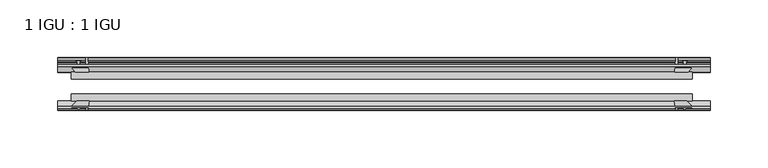
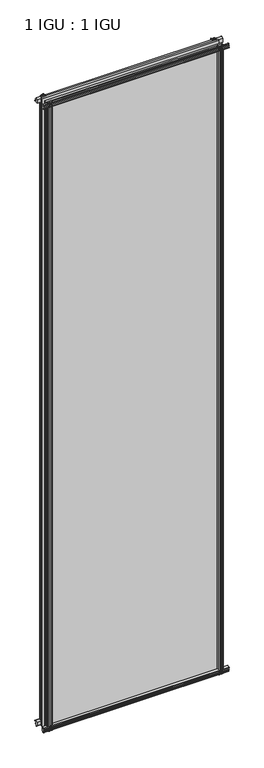
"""IFC4 building model written with IfcOpenShell, lengths in millimetres: plate geometry, 1 IGU : 1 IGU."""

from ifc_helpers import new_model, si_unit, point, frame, frame_2d, origin, place, context, project, spatial, polyline, circle_curve, trimmed, segment, composite_curve, outline, extrude, source, transform, mapped, element, save


def plate_1_igu_1_igu_4167311c(model_context):
    return source(origin(), model_context, "Body", "SweptSolid", [
        extrude(outline(composite_curve([segment(polyline([(-57.0900403, 1.731044), (-50.00625, 3.0983599), (-50.00625, -7.92383), (-54.1882244, -12.1058044)]), True, "CONTINUOUS"), segment(trimmed(circle_curve(frame_2d((-55.08625, -11.2077788)), 1.27), [point((-54.1882244, -12.1058044))], [point((-56.35625, -11.2077788))], False, "CARTESIAN"), True, "CONTINUOUS"), segment(polyline([(-56.35625, -11.2077788), (-56.35625, -8.0327788), (-57.835546, -5.4488186), (-56.35625, -5.1879788), (-56.35625, 0.2222212), (-57.65913, 0.0383748)]), True, "CONTINUOUS"), segment(trimmed(circle_curve(frame_2d((-56.9150839, 0.7302212)), 1.016), [point((-57.65913, 0.0383748))], [point((-57.0900403, 1.731044))], False, "CARTESIAN"), True, "CONTINUOUS")], self_intersect=False)), frame((-281.6987, 0.0, 0.0), z_axis=(1.0, 0.0, 0.0), x_axis=(0.0, 1.0, 0.0)), (0.0, 0.0, 1.0), 567.436),
        extrude(outline(composite_curve([segment(polyline([(-24.60625, 2.5763839), (-12.8423053, 1.6478499)]), True, "CONTINUOUS"), segment(trimmed(circle_curve(frame_2d((-12.92225, 0.635)), 1.016), [point((-12.8423053, 1.6478499))], [point((-12.1291353, 0.0))], False, "CARTESIAN"), True, "CONTINUOUS"), segment(polyline([(-12.1291353, 0.0), (-18.25625, 0.0), (-18.25625, -4.953), (-15.9568457, -5.5691235), (-16.3325195, -4.1670901), (-15.4738114, -3.937), (-14.82725, -6.35), (-15.4738114, -8.763), (-16.3325195, -8.5329099), (-15.9568457, -7.1308765), (-18.25625, -7.747), (-18.25625, -12.7), (-20.28825, -12.7), (-24.60625, -9.1036931), (-24.60625, 2.5763839)]), True, "CONTINUOUS")], self_intersect=False)), frame((-281.6987, 0.0, 0.0), z_axis=(1.0, 0.0, 0.0), x_axis=(0.0, 1.0, 0.0)), (0.0, 0.0, 1.0), 567.436),
        extrude(outline(composite_curve([segment(polyline([(-20.28825, 2019.3), (-18.25625, 2019.3), (-18.25625, 2014.347), (-15.9568457, 2013.7308765), (-16.3325195, 2015.1329099), (-15.4738114, 2015.363), (-14.82725, 2012.95), (-15.4738114, 2010.537), (-16.3325195, 2010.7670901), (-15.9568457, 2012.1691235), (-18.25625, 2011.553), (-18.25625, 2006.6), (-12.1291353, 2006.6)]), True, "CONTINUOUS"), segment(trimmed(circle_curve(frame_2d((-12.92225, 2005.965)), 1.016), [point((-12.1291353, 2006.6))], [point((-12.8423053, 2004.9521501))], False, "CARTESIAN"), True, "CONTINUOUS"), segment(polyline([(-12.8423053, 2004.9521501), (-24.60625, 2004.0236161), (-24.60625, 2015.7036931), (-20.28825, 2019.3)]), True, "CONTINUOUS")], self_intersect=False)), frame((-281.6987, 0.0, 0.0), z_axis=(1.0, 0.0, 0.0), x_axis=(0.0, 1.0, 0.0)), (0.0, 0.0, 1.0), 567.436),
        extrude(outline(composite_curve([segment(trimmed(circle_curve(frame_2d((-56.9150839, 2005.8697788)), 1.016), [point((-57.0900403, 2004.868956))], [point((-57.65913, 2006.5616252))], False, "CARTESIAN"), True, "CONTINUOUS"), segment(polyline([(-57.65913, 2006.5616252), (-56.35625, 2006.3777788), (-56.35625, 2011.7879788), (-57.835546, 2012.0488186), (-56.35625, 2014.6327788), (-56.35625, 2017.8077788)]), True, "CONTINUOUS"), segment(trimmed(circle_curve(frame_2d((-55.08625, 2017.8077788)), 1.27), [point((-56.35625, 2017.8077788))], [point((-54.1882244, 2018.7058044))], False, "CARTESIAN"), True, "CONTINUOUS"), segment(polyline([(-54.1882244, 2018.7058044), (-50.00625, 2014.52383), (-50.00625, 2003.5016401), (-57.0900403, 2004.868956)]), True, "CONTINUOUS")], self_intersect=False)), frame((-281.6987, 0.0, 0.0), z_axis=(1.0, 0.0, 0.0), x_axis=(0.0, 1.0, 0.0)), (0.0, 0.0, 1.0), 567.436),
        extrude(outline(composite_curve([segment(polyline([(254.5859161, -24.60625), (255.5144501, -12.8423053)]), True, "CONTINUOUS"), segment(trimmed(circle_curve(frame_2d((256.5273, -12.92225)), 1.016), [point((255.5144501, -12.8423053))], [point((257.1623, -12.1291353))], False, "CARTESIAN"), True, "CONTINUOUS"), segment(polyline([(257.1623, -12.1291353), (257.1623, -18.25625), (262.1153, -18.25625), (262.7314235, -15.9568457), (261.3293901, -16.3325195), (261.0993, -15.4738114), (263.5123, -14.82725), (265.9253, -15.4738114), (265.6952099, -16.3325195), (264.2931765, -15.9568457), (264.9093, -18.25625), (269.8623, -18.25625), (269.8623, -20.28825), (266.2659931, -24.60625), (254.5859161, -24.60625)]), True, "CONTINUOUS")], self_intersect=False)), frame((0.0, 0.0, -12.7), z_axis=(0.0, 0.0, 1.0), x_axis=(1.0, 0.0, 0.0)), (0.0, 0.0, 1.0), 2032.0),
        extrude(outline(composite_curve([segment(polyline([(262.3502788, -56.35625), (256.9400788, -56.35625), (257.1239252, -57.65913)]), True, "CONTINUOUS"), segment(trimmed(circle_curve(frame_2d((256.4320788, -56.9150839)), 1.016), [point((257.1239252, -57.65913))], [point((255.431256, -57.0900403))], False, "CARTESIAN"), True, "CONTINUOUS"), segment(polyline([(255.431256, -57.0900403), (254.0639401, -50.00625), (265.08613, -50.00625), (269.2681044, -54.1882244)]), True, "CONTINUOUS"), segment(trimmed(circle_curve(frame_2d((268.3700788, -55.08625)), 1.27), [point((269.2681044, -54.1882244))], [point((268.3700788, -56.35625))], False, "CARTESIAN"), True, "CONTINUOUS"), segment(polyline([(268.3700788, -56.35625), (265.1950788, -56.35625), (262.6111186, -57.835546), (262.3502788, -56.35625)]), True, "CONTINUOUS")], self_intersect=False)), frame((0.0, 0.0, -12.7), z_axis=(0.0, 0.0, 1.0), x_axis=(1.0, 0.0, 0.0)), (0.0, 0.0, 1.0), 2032.0),
        extrude(outline(composite_curve([segment(polyline([(-254.5859161, -24.60625), (-266.2659931, -24.60625), (-269.8623, -20.28825), (-269.8623, -18.25625), (-264.9093, -18.25625), (-264.2931765, -15.9568457), (-265.6952099, -16.3325195), (-265.9253, -15.4738114), (-263.5123, -14.82725), (-261.0993, -15.4738114), (-261.3293901, -16.3325195), (-262.7314235, -15.9568457), (-262.1153, -18.25625), (-257.1623, -18.25625), (-257.1623, -12.1291353)]), True, "CONTINUOUS"), segment(trimmed(circle_curve(frame_2d((-256.5273, -12.92225)), 1.016), [point((-257.1623, -12.1291353))], [point((-255.5144501, -12.8423053))], False, "CARTESIAN"), True, "CONTINUOUS"), segment(polyline([(-255.5144501, -12.8423053), (-254.5859161, -24.60625)]), True, "CONTINUOUS")], self_intersect=False)), frame((0.0, 0.0, -12.7), z_axis=(0.0, 0.0, 1.0), x_axis=(1.0, 0.0, 0.0)), (0.0, 0.0, 1.0), 2032.0),
        extrude(outline(composite_curve([segment(polyline([(-254.0639401, -50.00625), (-255.431256, -57.0900403)]), True, "CONTINUOUS"), segment(trimmed(circle_curve(frame_2d((-256.4320788, -56.9150839)), 1.016), [point((-255.431256, -57.0900403))], [point((-257.1239252, -57.65913))], False, "CARTESIAN"), True, "CONTINUOUS"), segment(polyline([(-257.1239252, -57.65913), (-256.9400788, -56.35625), (-262.3502788, -56.35625), (-262.6111186, -57.835546), (-265.1950788, -56.35625), (-268.3700788, -56.35625)]), True, "CONTINUOUS"), segment(trimmed(circle_curve(frame_2d((-268.3700788, -55.08625)), 1.27), [point((-268.3700788, -56.35625))], [point((-269.2681044, -54.1882244))], False, "CARTESIAN"), True, "CONTINUOUS"), segment(polyline([(-269.2681044, -54.1882244), (-265.08613, -50.00625), (-254.0639401, -50.00625)]), True, "CONTINUOUS")], self_intersect=False)), frame((0.0, 0.0, -12.7), z_axis=(0.0, 0.0, 1.0), x_axis=(1.0, 0.0, 0.0)), (0.0, 0.0, 1.0), 2032.0),
        extrude(outline(polyline([(-269.8623, -24.60625), (269.8623, -24.60625), (269.8623, -30.95625), (-269.8623, -30.95625), (-269.8623, -24.60625)])), frame((0.0, 0.0, -12.7), z_axis=(0.0, 0.0, 1.0), x_axis=(1.0, 0.0, 0.0)), (0.0, 0.0, 1.0), 2032.0),
        extrude(outline(polyline([(269.8623, -43.65625), (269.8623, -50.00625), (-269.8623, -50.00625), (-269.8623, -43.65625), (269.8623, -43.65625)])), frame((0.0, 0.0, -12.7), z_axis=(0.0, 0.0, 1.0), x_axis=(1.0, 0.0, 0.0)), (0.0, 0.0, 1.0), 2032.0),
    ])


if __name__ == "__main__":
    model = new_model("IFC4")
    model_context = context("Model", 3, world=origin())
    ifc_project = project(units=[si_unit("LENGTHUNIT", "METRE", prefix="MILLI")], contexts=[model_context])
    site = spatial("IfcSite", under=ifc_project)
    building = spatial("IfcBuilding", under=site)
    placement = place(None, origin())
    plate_1_igu_1_igu_shape = plate_1_igu_1_igu_4167311c(model_context)
    element("IfcPlate", 1, ObjectType="1 IGU : 1 IGU", at=placement, inside=building, context=model_context, shape_type="MappedRepresentation", body=[
        mapped(plate_1_igu_1_igu_shape, transform((0.0, 0.0, 0.0), x_axis=(1.0, 0.0, 0.0), y_axis=(0.0, 1.0, 0.0), z_axis=(0.0, 0.0, 1.0))),
    ])
    save(model, "model.ifc")
